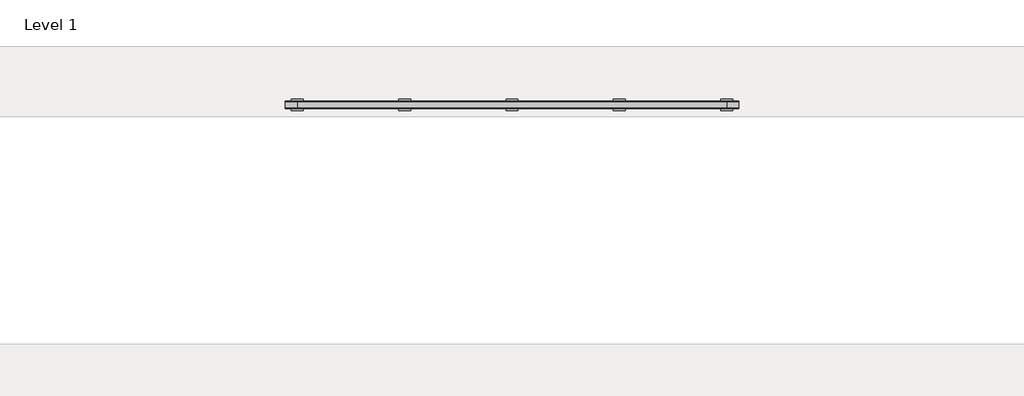
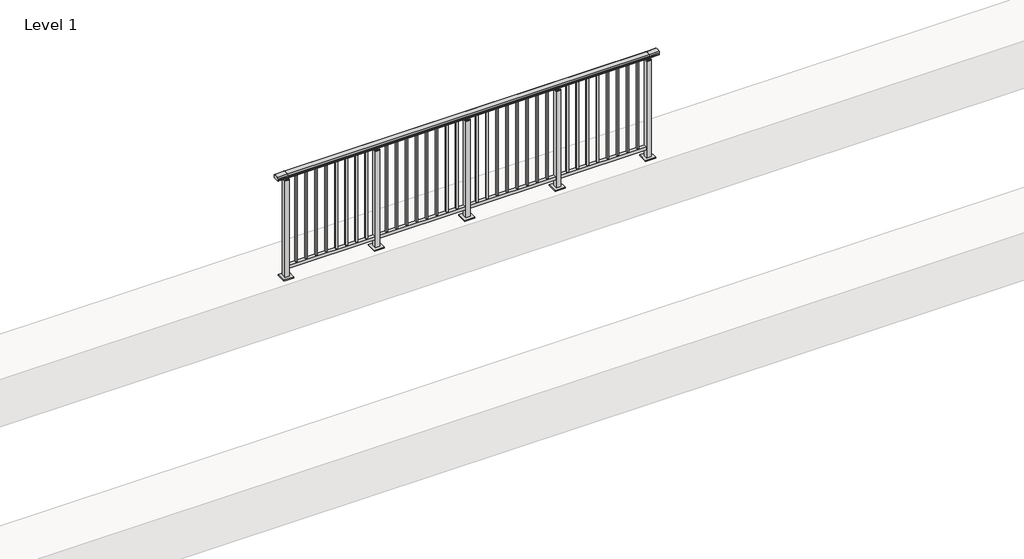
# One storey, part 31 of 64: 1 railing.
"""IFC4 building model written with IfcOpenShell, lengths in millimetres."""

import ifcopenshell
import ifcopenshell.guid

model = None  # the IFC model being written
_history = None  # IfcOwnerHistory: only IFC2X3 demands one
_inside = {}  # id of a spatial element -> (the spatial element, [elements in it])
_under = {}  # id of a project, library or spatial element -> (it, [spatial elements below it])
_declared = {}  # id of a project -> (the project, [libraries it declares])
_typed = {}  # id of a type object -> (the type object, [elements of that type])
_made_of = {}  # id of a material, layer set ... -> (it, [elements and type objects made of it])


def new_model(schema):
    """Start an empty IFC model of exactly this schema.

    Asked for "IFC4X3", IfcOpenShell would pick the latest addendum, in which some entities
    have other attributes; the version numbers below select the first issue.
    IFC2X3 requires an IfcOwnerHistory on every rooted entity: one is made here for all.
    """
    global model, _history
    if schema == "IFC4X3":
        model = ifcopenshell.file(schema_version=(4, 3, 0, 0))
    else:
        model = ifcopenshell.file(schema=schema)
    _inside.clear()
    _under.clear()
    _declared.clear()
    _typed.clear()
    _made_of.clear()
    _history = None
    if model.schema == "IFC2X3":
        org = make("IfcOrganization", Name="unknown")
        user = make(
            "IfcPersonAndOrganization",
            ThePerson=make("IfcPerson", FamilyName="unknown"),
            TheOrganization=org,
        )
        app = make(
            "IfcApplication",
            ApplicationDeveloper=org,
            Version="unknown",
            ApplicationFullName="unknown",
            ApplicationIdentifier="unknown",
        )
        _history = make(
            "IfcOwnerHistory",
            OwningUser=user,
            OwningApplication=app,
            ChangeAction="ADDED",
            CreationDate=0,
        )
    return model


def make(cls, **values):
    """One entity of the class cls with the attributes given. An attribute that is None is left unset."""
    return model.create_entity(
        cls, **{name: value for name, value in values.items() if value is not None}
    )


def rooted(cls, **values):
    """An entity with a GlobalId (a new one), such as an element, a storey or a relation."""
    return make(cls, GlobalId=ifcopenshell.guid.new(), OwnerHistory=_history, **values)


def si_unit(unit_type, name, prefix=None):
    """IfcSIUnit, for example si_unit("LENGTHUNIT", "METRE", prefix="MILLI")."""
    return make("IfcSIUnit", UnitType=unit_type, Prefix=prefix, Name=name)


def assignment(units):
    """IfcUnitAssignment: the units of a project."""
    return None if units is None else make("IfcUnitAssignment", Units=units)


def point(xyz):
    """IfcCartesianPoint."""
    return None if xyz is None else make("IfcCartesianPoint", Coordinates=xyz)


def direction(xyz):
    """IfcDirection."""
    return None if xyz is None else make("IfcDirection", DirectionRatios=xyz)


def frame(location, z_axis=None, x_axis=None):
    """IfcAxis2Placement3D, a coordinate frame: its origin and axes. An axis left out is left unset."""
    return make(
        "IfcAxis2Placement3D",
        Location=point(location),
        Axis=direction(z_axis),
        RefDirection=direction(x_axis),
    )


def origin():
    """The frame at (0, 0, 0) with its axes left unset."""
    return frame((0.0, 0.0, 0.0))


def origin_with_axes():
    """The frame at (0, 0, 0) with the z axis (0, 0, 1) and the x axis (1, 0, 0) written out."""
    return frame((0.0, 0.0, 0.0), z_axis=(0.0, 0.0, 1.0), x_axis=(1.0, 0.0, 0.0))


def place(relative_to, where):
    """IfcLocalPlacement: puts the frame where relative to a parent placement (None: the world)."""
    return make(
        "IfcLocalPlacement", PlacementRelTo=relative_to, RelativePlacement=where
    )


def context(
    kind, dimensions, precision=None, world=None, true_north=None, identifier=None
):
    """IfcGeometricRepresentationContext, for example the 3D "Model" context."""
    return make(
        "IfcGeometricRepresentationContext",
        ContextIdentifier=identifier,
        ContextType=kind,
        CoordinateSpaceDimension=dimensions,
        Precision=precision,
        WorldCoordinateSystem=world,
        TrueNorth=true_north,
    )


def project(units=None, contexts=None):
    """IfcProject with its units and contexts."""
    return rooted(
        "IfcProject",
        Name="project",
        RepresentationContexts=contexts,
        UnitsInContext=assignment(units),
    )


def spatial(cls, under=None, at=None, **own):
    """A site, building, storey or space (cls), placed at a placement, below another one or the project."""
    s = rooted(cls, ObjectPlacement=at, **own)
    if under is not None:
        _under.setdefault(under.id(), (under, []))[1].append(s)
    return s


def polyline(points):
    """IfcPolyline through the points."""
    return make("IfcPolyline", Points=[point(p) for p in points])


def circle_curve(where, radius):
    """IfcCircle in the frame where."""
    return make("IfcCircle", Position=where, Radius=radius)


def outline(outer, holes=None, kind="AREA"):
    """IfcArbitraryClosedProfileDef: a profile drawn as a closed curve; with holes, ...WithVoids."""
    if holes is None:
        return make("IfcArbitraryClosedProfileDef", ProfileType=kind, OuterCurve=outer)
    return make(
        "IfcArbitraryProfileDefWithVoids",
        ProfileType=kind,
        OuterCurve=outer,
        InnerCurves=holes,
    )


def extrude(swept, where, along, depth):
    """IfcExtrudedAreaSolid: the profile swept, set in the frame where, extruded along a direction by depth."""
    return make(
        "IfcExtrudedAreaSolid",
        SweptArea=swept,
        Position=where,
        ExtrudedDirection=direction(along),
        Depth=depth,
    )


def shape(context_of_items, identifier, shape_type, items):
    """IfcShapeRepresentation: the items that make up one representation, for example the "Body"."""
    return make(
        "IfcShapeRepresentation",
        ContextOfItems=context_of_items,
        RepresentationIdentifier=identifier,
        RepresentationType=shape_type,
        Items=items,
    )


def made_of(thing, what):
    """Note that an element or type object is made of a material, layer set ...; save() writes the relation."""
    if what is not None:
        _made_of.setdefault(what.id(), (what, []))[1].append(thing)
    return thing


def element(
    cls,
    number,
    at=None,
    inside=None,
    cuts=None,
    type_object=None,
    material=None,
    context=None,
    identifier="Body",
    shape_type=None,
    held_by="IfcProductDefinitionShape",
    body=None,
    shapes=None,
    **own,
):
    """One element of the class cls, such as IfcWall. Its Tag is "e" and its number.

    at: its placement. inside: the storey or other place that contains it. cuts: it is an
    opening in that element (IfcRelVoidsElement). A single representation is given by context,
    identifier, shape_type and body (its items); several are given by shapes. held_by: the class
    of the entity that holds the representations. save() writes the other relations.
    """
    e = rooted(cls, Tag="e%d" % number, ObjectPlacement=at, **own)
    if body is not None:
        shapes = [shape(context, identifier, shape_type, body)]
    if shapes is not None:
        e.Representation = make(held_by, Representations=shapes)
    if inside is not None:
        _inside.setdefault(inside.id(), (inside, []))[1].append(e)
    if cuts is not None:
        rooted(
            "IfcRelVoidsElement", RelatingBuildingElement=cuts, RelatedOpeningElement=e
        )
    if type_object is not None:
        _typed.setdefault(type_object.id(), (type_object, []))[1].append(e)
    return made_of(e, material)


def aggregate(whole, parts):
    """IfcRelAggregates: a whole, such as a stair, and the parts it consists of."""
    return rooted("IfcRelAggregates", RelatingObject=whole, RelatedObjects=parts)


def save(model, path):
    """Write the relations noted so far, then the file.

    IfcRelAggregates (storeys below a building ...), IfcRelContainedInSpatialStructure (elements
    in a storey), IfcRelDefinesByType, IfcRelAssociatesMaterial and IfcRelDeclares: one each for
    every whole, place, type object, material and project.
    """
    for whole, parts in _under.values():
        aggregate(whole, parts)
    for where, things in _inside.values():
        rooted(
            "IfcRelContainedInSpatialStructure",
            RelatedElements=things,
            RelatingStructure=where,
        )
    for kind, things in _typed.values():
        rooted("IfcRelDefinesByType", RelatedObjects=things, RelatingType=kind)
    for what, things in _made_of.values():
        rooted("IfcRelAssociatesMaterial", RelatedObjects=things, RelatingMaterial=what)
    for by, libraries in _declared.values():
        rooted("IfcRelDeclares", RelatingContext=by, RelatedDefinitions=libraries)
    model.write(path)


def plane_surface(at):
    """IfcPlane: the flat surface through the origin of the frame at, square to its z axis."""
    return make("IfcPlane", Position=at)


def cylinder_surface(at, radius):
    """IfcCylindricalSurface: all points at the distance radius from the z axis of the frame at."""
    return make("IfcCylindricalSurface", Position=at, Radius=radius)


def revolved_surface(curve, axis_point, axis_direction):
    """IfcSurfaceOfRevolution: the curve turned about the line through axis_point along axis_direction."""
    return make(
        "IfcSurfaceOfRevolution",
        SweptCurve=make("IfcArbitraryOpenProfileDef", ProfileType="CURVE", Curve=curve),
        AxisPosition=make("IfcAxis1Placement", Location=point(axis_point), Axis=direction(axis_direction)),
    )


def advanced_brep(points, edges, surfaces, faces):
    """IfcAdvancedBrep: a solid bounded by faces that lie on surfaces and meet in shared edges.

    An edge is (start, end): straight between two places in points (the first is 0);
    or (start, end, curve); or (start, end, curve, False) where it runs against its curve.
    A face is (place in surfaces, loops), or (place, loops, False) where it looks against
    its surface's normal. A loop lists edges by number (the first is 1), with a minus sign
    where the edge is run from its end to its start. The first loop is the outer one.
    """
    corners = [point(p) for p in points]
    vertices = [make("IfcVertexPoint", VertexGeometry=c) for c in corners]
    made = []
    for start, end, *more in edges:
        made.append(
            make(
                "IfcEdgeCurve",
                EdgeStart=vertices[start],
                EdgeEnd=vertices[end],
                EdgeGeometry=more[0] if more else make("IfcPolyline", Points=[corners[start], corners[end]]),
                SameSense=more[1] if len(more) > 1 else True,
            )
        )
    hull = []
    for where, loops, *sense in faces:
        bounds = []
        for j, loop in enumerate(loops):
            ring = [make("IfcOrientedEdge", EdgeElement=made[abs(k) - 1], Orientation=k > 0) for k in loop]
            bounds.append(
                make(
                    "IfcFaceOuterBound" if j == 0 else "IfcFaceBound",
                    Bound=make("IfcEdgeLoop", EdgeList=ring),
                    Orientation=True,
                )
            )
        hull.append(make("IfcAdvancedFace", Bounds=bounds, FaceSurface=surfaces[where], SameSense=sense[0] if sense else True))
    return make("IfcAdvancedBrep", Outer=make("IfcClosedShell", CfsFaces=hull))


model = new_model("IFC4")

# Units and contexts
model_context = context("Model", 3, world=origin())
ifc_project = project(units=[si_unit("LENGTHUNIT", "METRE", prefix="MILLI")], contexts=[model_context])

# Site, building, storey
site = spatial("IfcSite", under=ifc_project)
building = spatial("IfcBuilding", under=site)
storey = spatial("IfcBuildingStorey", under=building, Name="Level 1", Elevation=0.0)

# Railing
placement = place(None, origin())
element("IfcRailing", 1, at=placement, inside=storey, context=model_context, shape_type="SolidModel", body=[
    advanced_brep(
    [(6400.0, 22525.3633756, 1095.6691182), (6400.0, 22530.1846828, 1081.1334092), (6400.0, 22529.2413744, 1069.2539035), (6400.0, 22531.1364177, 1061.4863007), (6400.0, 22529.4894799, 1060.384124), (6400.0, 22529.4894799, 1062.0), (6400.0, 22470.8798858, 1062.0), (6400.0, 22470.8798858, 1060.384124), (6400.0, 22469.232948, 1061.4863007), (6400.0, 22471.1279912, 1069.2539035), (6400.0, 22470.1846828, 1081.1334092), (6400.0, 22475.00599, 1095.6691182), (10200.0, 22525.3633756, 1095.6691182), (10200.0, 22475.00599, 1095.6691182), (10200.0, 22470.1846828, 1081.1334092), (10200.0, 22471.1279912, 1069.2539035), (10200.0, 22469.232948, 1061.4863007), (10200.0, 22470.8798858, 1060.384124), (10200.0, 22470.8798858, 1062.0), (10200.0, 22529.4894799, 1062.0), (10200.0, 22529.4894799, 1060.384124), (10200.0, 22531.1364177, 1061.4863007), (10200.0, 22529.2413744, 1069.2539035), (10200.0, 22530.1846828, 1081.1334092), (6500.0, 22525.3633756, 1095.6691182), (6500.0, 22530.1846828, 1081.1334092), (6500.0, 22529.2413744, 1069.2539035), (6500.0, 22531.1364177, 1061.4863007), (6500.0, 22529.4894799, 1060.384124), (6500.0, 22529.4894799, 1062.0), (6500.0, 22470.8798858, 1062.0), (6500.0, 22470.8798858, 1060.384124), (6500.0, 22469.232948, 1061.4863007), (6500.0, 22471.1279912, 1069.2539035), (6500.0, 22470.1846828, 1081.1334092), (6500.0, 22475.00599, 1095.6691182), (10100.0, 22525.3633756, 1095.6691182), (10100.0, 22530.1846828, 1081.1334092), (10100.0, 22529.2413744, 1069.2539035), (10100.0, 22531.1364177, 1061.4863007), (10100.0, 22529.4894799, 1060.384124), (10100.0, 22529.4894799, 1062.0), (10100.0, 22470.8798858, 1062.0), (10100.0, 22470.8798858, 1060.384124), (10100.0, 22469.232948, 1061.4863007), (10100.0, 22471.1279912, 1069.2539035), (10100.0, 22470.1846828, 1081.1334092), (10100.0, 22475.00599, 1095.6691182)],
    [
        (0, 1, circle_curve(frame((6400.0, 22522.1223845, 1086.526686), z_axis=(-1.0, 0.0, 0.0), x_axis=(0.0, -1.0, 0.0)), 9.6999015)),
        (1, 2, circle_curve(frame((6400.0, 22547.7252545, 1073.7633709), z_axis=(1.0, 0.0, 0.0), x_axis=(0.0, -1.0, 0.0)), 19.0260117)),
        (2, 3),
        (3, 4, circle_curve(frame((6400.0, 22530.2772073, 1060.9886194), z_axis=(-1.0, 0.0, 0.0), x_axis=(0.0, -1.0, 0.0)), 0.9929396)),
        (4, 5),
        (5, 6),
        (6, 7),
        (7, 8, circle_curve(frame((6400.0, 22470.0921584, 1060.9886194), z_axis=(-1.0, 0.0, 0.0), x_axis=(0.0, 1.0, 0.0)), 0.9929396)),
        (8, 9),
        (9, 10, circle_curve(frame((6400.0, 22452.6441111, 1073.7633709), z_axis=(1.0, 0.0, 0.0), x_axis=(0.0, 1.0, 0.0)), 19.0260117)),
        (10, 11, circle_curve(frame((6400.0, 22478.2469812, 1086.526686), z_axis=(-1.0, 0.0, 0.0), x_axis=(0.0, 1.0, 0.0)), 9.6999015)),
        (11, 0, circle_curve(frame((6400.0, 22500.1846828, 1024.6431628), z_axis=(-1.0, 0.0, 0.0), x_axis=(0.0, 1.0, 0.0)), 75.3568372)),
        (12, 13, circle_curve(frame((10200.0, 22500.1846828, 1024.6431628), z_axis=(1.0, 0.0, 0.0), x_axis=(0.0, 1.0, 0.0)), 75.3568372)),
        (13, 14, circle_curve(frame((10200.0, 22478.2469812, 1086.526686), z_axis=(1.0, 0.0, 0.0), x_axis=(0.0, 1.0, 0.0)), 9.6999015)),
        (14, 15, circle_curve(frame((10200.0, 22452.6441111, 1073.7633709), z_axis=(-1.0, 0.0, 0.0), x_axis=(0.0, 1.0, 0.0)), 19.0260117)),
        (15, 16),
        (16, 17, circle_curve(frame((10200.0, 22470.0921584, 1060.9886194), z_axis=(1.0, 0.0, 0.0), x_axis=(0.0, 1.0, 0.0)), 0.9929396)),
        (17, 18),
        (18, 19),
        (19, 20),
        (20, 21, circle_curve(frame((10200.0, 22530.2772073, 1060.9886194), z_axis=(1.0, 0.0, 0.0), x_axis=(0.0, -1.0, 0.0)), 0.9929396)),
        (21, 22),
        (22, 23, circle_curve(frame((10200.0, 22547.7252545, 1073.7633709), z_axis=(-1.0, 0.0, 0.0), x_axis=(0.0, -1.0, 0.0)), 19.0260117)),
        (23, 12, circle_curve(frame((10200.0, 22522.1223845, 1086.526686), z_axis=(1.0, 0.0, 0.0), x_axis=(0.0, -1.0, 0.0)), 9.6999015)),
        (0, 24),
        (24, 25, circle_curve(frame((6500.0, 22522.1223845, 1086.526686), z_axis=(-1.0, 0.0, 0.0), x_axis=(0.0, -1.0, 0.0)), 9.6999015)),
        (25, 1),
        (25, 26, circle_curve(frame((6500.0, 22547.7252545, 1073.7633709), z_axis=(1.0, 0.0, 0.0), x_axis=(0.0, -1.0, 0.0)), 19.0260117)),
        (26, 2),
        (26, 27),
        (27, 3),
        (27, 28, circle_curve(frame((6500.0, 22530.2772073, 1060.9886194), z_axis=(-1.0, 0.0, 0.0), x_axis=(0.0, -1.0, 0.0)), 0.9929396)),
        (28, 4),
        (28, 29),
        (29, 5),
        (29, 30),
        (30, 6),
        (30, 31),
        (31, 7),
        (31, 32, circle_curve(frame((6500.0, 22470.0921584, 1060.9886194), z_axis=(-1.0, 0.0, 0.0), x_axis=(0.0, 1.0, 0.0)), 0.9929396)),
        (32, 8),
        (32, 33),
        (33, 9),
        (33, 34, circle_curve(frame((6500.0, 22452.6441111, 1073.7633709), z_axis=(1.0, 0.0, 0.0), x_axis=(0.0, 1.0, 0.0)), 19.0260117)),
        (34, 10),
        (34, 35, circle_curve(frame((6500.0, 22478.2469812, 1086.526686), z_axis=(-1.0, 0.0, 0.0), x_axis=(0.0, 1.0, 0.0)), 9.6999015)),
        (35, 11),
        (35, 24, circle_curve(frame((6500.0, 22500.1846828, 1024.6431628), z_axis=(-1.0, 0.0, 0.0), x_axis=(0.0, 1.0, 0.0)), 75.3568372)),
        (24, 36),
        (36, 37, circle_curve(frame((10100.0, 22522.1223845, 1086.526686), z_axis=(-1.0, 0.0, 0.0), x_axis=(0.0, -1.0, 0.0)), 9.6999015)),
        (37, 25),
        (37, 38, circle_curve(frame((10100.0, 22547.7252545, 1073.7633709), z_axis=(1.0, 0.0, 0.0), x_axis=(0.0, -1.0, 0.0)), 19.0260117)),
        (38, 26),
        (38, 39),
        (39, 27),
        (39, 40, circle_curve(frame((10100.0, 22530.2772073, 1060.9886194), z_axis=(-1.0, 0.0, 0.0), x_axis=(0.0, -1.0, 0.0)), 0.9929396)),
        (40, 28),
        (40, 41),
        (41, 29),
        (41, 42),
        (42, 30),
        (42, 43),
        (43, 31),
        (43, 44, circle_curve(frame((10100.0, 22470.0921584, 1060.9886194), z_axis=(-1.0, 0.0, 0.0), x_axis=(0.0, 1.0, 0.0)), 0.9929396)),
        (44, 32),
        (44, 45),
        (45, 33),
        (45, 46, circle_curve(frame((10100.0, 22452.6441111, 1073.7633709), z_axis=(1.0, 0.0, 0.0), x_axis=(0.0, 1.0, 0.0)), 19.0260117)),
        (46, 34),
        (46, 47, circle_curve(frame((10100.0, 22478.2469812, 1086.526686), z_axis=(-1.0, 0.0, 0.0), x_axis=(0.0, 1.0, 0.0)), 9.6999015)),
        (47, 35),
        (47, 36, circle_curve(frame((10100.0, 22500.1846828, 1024.6431628), z_axis=(-1.0, 0.0, 0.0), x_axis=(0.0, 1.0, 0.0)), 75.3568372)),
        (36, 12),
        (23, 37),
        (22, 38),
        (21, 39),
        (20, 40),
        (19, 41),
        (18, 42),
        (17, 43),
        (16, 44),
        (15, 45),
        (14, 46),
        (13, 47),
    ],
    [
        plane_surface(frame((6400.0, 22500.1846828, 1100.0), z_axis=(-1.0, 0.0, 0.0), x_axis=(0.0, 1.0, 0.0))),
        plane_surface(frame((10200.0, 22500.1846828, 1100.0), z_axis=(1.0, 0.0, 0.0), x_axis=(0.0, 1.0, 0.0))),
        cylinder_surface(frame((6400.0, 22522.1223845, 1086.526686), z_axis=(-1.0, 0.0, 0.0), x_axis=(0.0, -1.0, 0.0)), 9.6999015),
        revolved_surface(polyline([(6500.0, 22528.6992428, 1073.7633709), (6400.0, 22528.6992428, 1073.7633709)]), (6400.0, 22547.7252545, 1073.7633709), (1.0, 0.0, 0.0)),
        plane_surface(frame((6400.0, 22529.2413744, 1069.2539035), z_axis=(0.0, 0.9715057689301543, 0.2370159086125439), x_axis=(1.0, 0.0, 0.0))),
        cylinder_surface(frame((6400.0, 22530.2772073, 1060.9886194), z_axis=(-1.0, 0.0, 0.0), x_axis=(0.0, -1.0, 0.0)), 0.9929396),
        plane_surface(frame((6400.0, 22529.4894799, 1060.384124), z_axis=(0.0, -1.0, 0.0), x_axis=(1.0, 0.0, 0.0))),
        plane_surface(frame((6400.0, 22529.4894799, 1062.0), z_axis=(0.0, 0.0, -1.0), x_axis=(1.0, 0.0, 0.0))),
        plane_surface(frame((6400.0, 22470.8798858, 1062.0), z_axis=(0.0, 1.0, 0.0), x_axis=(1.0, 0.0, 0.0))),
        cylinder_surface(frame((6400.0, 22470.0921584, 1060.9886194), z_axis=(-1.0, 0.0, 0.0), x_axis=(0.0, 1.0, 0.0)), 0.9929396),
        plane_surface(frame((6400.0, 22469.232948, 1061.4863007), z_axis=(0.0, -0.9715057689301543, 0.2370159086125439), x_axis=(1.0, 0.0, 0.0))),
        revolved_surface(polyline([(6500.0, 22471.6701228, 1073.7633709), (6400.0, 22471.6701228, 1073.7633709)]), (6400.0, 22452.6441111, 1073.7633709), (1.0, 0.0, 0.0)),
        cylinder_surface(frame((6400.0, 22478.2469812, 1086.526686), z_axis=(-1.0, 0.0, 0.0), x_axis=(0.0, 1.0, 0.0)), 9.6999015),
        cylinder_surface(frame((6400.0, 22500.1846828, 1024.6431628), z_axis=(-1.0, 0.0, 0.0), x_axis=(0.0, 1.0, 0.0)), 75.3568372),
        cylinder_surface(frame((6500.0, 22522.1223845, 1086.526686), z_axis=(-1.0, 0.0, 0.0), x_axis=(0.0, -1.0, 0.0)), 9.6999015),
        revolved_surface(polyline([(10100.0, 22528.6992428, 1073.7633709), (6500.0, 22528.6992428, 1073.7633709)]), (6500.0, 22547.7252545, 1073.7633709), (1.0, 0.0, 0.0)),
        plane_surface(frame((6500.0, 22529.2413744, 1069.2539035), z_axis=(0.0, 0.9715057689301543, 0.2370159086125439), x_axis=(1.0, 0.0, 0.0))),
        cylinder_surface(frame((6500.0, 22530.2772073, 1060.9886194), z_axis=(-1.0, 0.0, 0.0), x_axis=(0.0, -1.0, 0.0)), 0.9929396),
        plane_surface(frame((6500.0, 22529.4894799, 1060.384124), z_axis=(0.0, -1.0, 0.0), x_axis=(1.0, 0.0, 0.0))),
        plane_surface(frame((6500.0, 22529.4894799, 1062.0), z_axis=(0.0, 0.0, -1.0), x_axis=(1.0, 0.0, 0.0))),
        plane_surface(frame((6500.0, 22470.8798858, 1062.0), z_axis=(0.0, 1.0, 0.0), x_axis=(1.0, 0.0, 0.0))),
        cylinder_surface(frame((6500.0, 22470.0921584, 1060.9886194), z_axis=(-1.0, 0.0, 0.0), x_axis=(0.0, 1.0, 0.0)), 0.9929396),
        plane_surface(frame((6500.0, 22469.232948, 1061.4863007), z_axis=(0.0, -0.9715057689301543, 0.2370159086125439), x_axis=(1.0, 0.0, 0.0))),
        revolved_surface(polyline([(10100.0, 22471.6701228, 1073.7633709), (6500.0, 22471.6701228, 1073.7633709)]), (6500.0, 22452.6441111, 1073.7633709), (1.0, 0.0, 0.0)),
        cylinder_surface(frame((6500.0, 22478.2469812, 1086.526686), z_axis=(-1.0, 0.0, 0.0), x_axis=(0.0, 1.0, 0.0)), 9.6999015),
        cylinder_surface(frame((6500.0, 22500.1846828, 1024.6431628), z_axis=(-1.0, 0.0, 0.0), x_axis=(0.0, 1.0, 0.0)), 75.3568372),
        cylinder_surface(frame((10100.0, 22522.1223845, 1086.526686), z_axis=(-1.0, 0.0, 0.0), x_axis=(0.0, -1.0, 0.0)), 9.6999015),
        revolved_surface(polyline([(10200.0, 22528.6992428, 1073.7633709), (10100.0, 22528.6992428, 1073.7633709)]), (10100.0, 22547.7252545, 1073.7633709), (1.0, 0.0, 0.0)),
        plane_surface(frame((10100.0, 22529.2413744, 1069.2539035), z_axis=(0.0, 0.9715057689301543, 0.2370159086125439), x_axis=(1.0, 0.0, 0.0))),
        cylinder_surface(frame((10100.0, 22530.2772073, 1060.9886194), z_axis=(-1.0, 0.0, 0.0), x_axis=(0.0, -1.0, 0.0)), 0.9929396),
        plane_surface(frame((10100.0, 22529.4894799, 1060.384124), z_axis=(0.0, -1.0, 0.0), x_axis=(1.0, 0.0, 0.0))),
        plane_surface(frame((10100.0, 22529.4894799, 1062.0), z_axis=(0.0, 0.0, -1.0), x_axis=(1.0, 0.0, 0.0))),
        plane_surface(frame((10100.0, 22470.8798858, 1062.0), z_axis=(0.0, 1.0, 0.0), x_axis=(1.0, 0.0, 0.0))),
        cylinder_surface(frame((10100.0, 22470.0921584, 1060.9886194), z_axis=(-1.0, 0.0, 0.0), x_axis=(0.0, 1.0, 0.0)), 0.9929396),
        plane_surface(frame((10100.0, 22469.232948, 1061.4863007), z_axis=(0.0, -0.9715057689301543, 0.2370159086125439), x_axis=(1.0, 0.0, 0.0))),
        revolved_surface(polyline([(10200.0, 22471.6701228, 1073.7633709), (10100.0, 22471.6701228, 1073.7633709)]), (10100.0, 22452.6441111, 1073.7633709), (1.0, 0.0, 0.0)),
        cylinder_surface(frame((10100.0, 22478.2469812, 1086.526686), z_axis=(-1.0, 0.0, 0.0), x_axis=(0.0, 1.0, 0.0)), 9.6999015),
        cylinder_surface(frame((10100.0, 22500.1846828, 1024.6431628), z_axis=(-1.0, 0.0, 0.0), x_axis=(0.0, 1.0, 0.0)), 75.3568372),
    ],
    [
        (0, [[1, 2, 3, 4, 5, 6, 7, 8, 9, 10, 11, 12]]),
        (1, [[13, 14, 15, 16, 17, 18, 19, 20, 21, 22, 23, 24]]),
        (2, [[-1, 25, 26, 27]]),
        (3, [[-2, -27, 28, 29]]),
        (4, [[-3, -29, 30, 31]]),
        (5, [[-4, -31, 32, 33]]),
        (6, [[-5, -33, 34, 35]]),
        (7, [[-6, -35, 36, 37]]),
        (8, [[-7, -37, 38, 39]]),
        (9, [[-8, -39, 40, 41]]),
        (10, [[-9, -41, 42, 43]]),
        (11, [[-10, -43, 44, 45]]),
        (12, [[-11, -45, 46, 47]]),
        (13, [[-12, -47, 48, -25]]),
        (14, [[-26, 49, 50, 51]]),
        (15, [[-28, -51, 52, 53]]),
        (16, [[-30, -53, 54, 55]]),
        (17, [[-32, -55, 56, 57]]),
        (18, [[-34, -57, 58, 59]]),
        (19, [[-36, -59, 60, 61]]),
        (20, [[-38, -61, 62, 63]]),
        (21, [[-40, -63, 64, 65]]),
        (22, [[-42, -65, 66, 67]]),
        (23, [[-44, -67, 68, 69]]),
        (24, [[-46, -69, 70, 71]]),
        (25, [[-48, -71, 72, -49]]),
        (26, [[-50, 73, -24, 74]]),
        (27, [[-52, -74, -23, 75]]),
        (28, [[-54, -75, -22, 76]]),
        (29, [[-56, -76, -21, 77]]),
        (30, [[-58, -77, -20, 78]]),
        (31, [[-60, -78, -19, 79]]),
        (32, [[-62, -79, -18, 80]]),
        (33, [[-64, -80, -17, 81]]),
        (34, [[-66, -81, -16, 82]]),
        (35, [[-68, -82, -15, 83]]),
        (36, [[-70, -83, -14, 84]]),
        (37, [[-72, -84, -13, -73]]),
    ],
),
    extrude(outline(polyline([(6500.0, 22482.6846828), (6500.0, 22517.6846828), (10100.0, 22517.6846828), (10100.0, 22482.6846828), (6500.0, 22482.6846828)])), frame((0.0, 0.0, 95.0), z_axis=(0.0, 0.0, 1.0), x_axis=(1.0, 0.0, 0.0)), (0.0, 0.0, 1.0), 30.0),
    extrude(outline(polyline([(10008.5, 22508.6846828), (10008.5, 22491.6846828), (9991.5, 22491.6846828), (9991.5, 22508.6846828), (10008.5, 22508.6846828)])), frame((0.0, 0.0, 125.0), z_axis=(0.0, 0.0, 1.0), x_axis=(1.0, 0.0, 0.0)), (0.0, 0.0, 1.0), 930.0),
    extrude(outline(polyline([(9908.5, 22508.6846828), (9908.5, 22491.6846828), (9891.5, 22491.6846828), (9891.5, 22508.6846828), (9908.5, 22508.6846828)])), frame((0.0, 0.0, 125.0), z_axis=(0.0, 0.0, 1.0), x_axis=(1.0, 0.0, 0.0)), (0.0, 0.0, 1.0), 930.0),
    extrude(outline(polyline([(9808.5, 22508.6846828), (9808.5, 22491.6846828), (9791.5, 22491.6846828), (9791.5, 22508.6846828), (9808.5, 22508.6846828)])), frame((0.0, 0.0, 125.0), z_axis=(0.0, 0.0, 1.0), x_axis=(1.0, 0.0, 0.0)), (0.0, 0.0, 1.0), 930.0),
    extrude(outline(polyline([(9708.5, 22508.6846828), (9708.5, 22491.6846828), (9691.5, 22491.6846828), (9691.5, 22508.6846828), (9708.5, 22508.6846828)])), frame((0.0, 0.0, 125.0), z_axis=(0.0, 0.0, 1.0), x_axis=(1.0, 0.0, 0.0)), (0.0, 0.0, 1.0), 930.0),
    extrude(outline(polyline([(9608.5, 22508.6846828), (9608.5, 22491.6846828), (9591.5, 22491.6846828), (9591.5, 22508.6846828), (9608.5, 22508.6846828)])), frame((0.0, 0.0, 125.0), z_axis=(0.0, 0.0, 1.0), x_axis=(1.0, 0.0, 0.0)), (0.0, 0.0, 1.0), 930.0),
    extrude(outline(polyline([(9508.5, 22508.6846828), (9508.5, 22491.6846828), (9491.5, 22491.6846828), (9491.5, 22508.6846828), (9508.5, 22508.6846828)])), frame((0.0, 0.0, 125.0), z_axis=(0.0, 0.0, 1.0), x_axis=(1.0, 0.0, 0.0)), (0.0, 0.0, 1.0), 930.0),
    extrude(outline(polyline([(9408.5, 22508.6846828), (9408.5, 22491.6846828), (9391.5, 22491.6846828), (9391.5, 22508.6846828), (9408.5, 22508.6846828)])), frame((0.0, 0.0, 125.0), z_axis=(0.0, 0.0, 1.0), x_axis=(1.0, 0.0, 0.0)), (0.0, 0.0, 1.0), 930.0),
    extrude(outline(polyline([(9308.5, 22508.6846828), (9308.5, 22491.6846828), (9291.5, 22491.6846828), (9291.5, 22508.6846828), (9308.5, 22508.6846828)])), frame((0.0, 0.0, 125.0), z_axis=(0.0, 0.0, 1.0), x_axis=(1.0, 0.0, 0.0)), (0.0, 0.0, 1.0), 930.0),
    extrude(outline(polyline([(9210.0, 22490.1846828), (9190.0, 22490.1846828), (9190.0, 22510.1846828), (9210.0, 22510.1846828), (9210.0, 22490.1846828)])), frame((0.0, 0.0, 1035.0), z_axis=(0.0, 0.0, 1.0), x_axis=(1.0, 0.0, 0.0)), (0.0, 0.0, 1.0), 20.0),
    extrude(outline(polyline([(9222.5, 22477.6846828), (9177.5, 22477.6846828), (9177.5, 22522.6846828), (9222.5, 22522.6846828), (9222.5, 22477.6846828)])), frame((0.0, 0.0, 1027.0), z_axis=(0.0, 0.0, 1.0), x_axis=(1.0, 0.0, 0.0)), (0.0, 0.0, 1.0), 8.0),
    extrude(outline(polyline([(9250.0, 22450.1846828), (9150.0, 22450.1846828), (9150.0, 22550.1846828), (9250.0, 22550.1846828), (9250.0, 22450.1846828)])), origin_with_axes(), (0.0, 0.0, 1.0), 12.0),
    extrude(outline(polyline([(9222.5, 22477.6846828), (9177.5, 22477.6846828), (9177.5, 22522.6846828), (9222.5, 22522.6846828), (9222.5, 22477.6846828)])), frame((0.0, 0.0, 12.0), z_axis=(0.0, 0.0, 1.0), x_axis=(1.0, 0.0, 0.0)), (0.0, 0.0, 1.0), 1015.0),
    extrude(outline(polyline([(9108.5, 22508.6846828), (9108.5, 22491.6846828), (9091.5, 22491.6846828), (9091.5, 22508.6846828), (9108.5, 22508.6846828)])), frame((0.0, 0.0, 125.0), z_axis=(0.0, 0.0, 1.0), x_axis=(1.0, 0.0, 0.0)), (0.0, 0.0, 1.0), 930.0),
    extrude(outline(polyline([(9008.5, 22508.6846828), (9008.5, 22491.6846828), (8991.5, 22491.6846828), (8991.5, 22508.6846828), (9008.5, 22508.6846828)])), frame((0.0, 0.0, 125.0), z_axis=(0.0, 0.0, 1.0), x_axis=(1.0, 0.0, 0.0)), (0.0, 0.0, 1.0), 930.0),
    extrude(outline(polyline([(8908.5, 22508.6846828), (8908.5, 22491.6846828), (8891.5, 22491.6846828), (8891.5, 22508.6846828), (8908.5, 22508.6846828)])), frame((0.0, 0.0, 125.0), z_axis=(0.0, 0.0, 1.0), x_axis=(1.0, 0.0, 0.0)), (0.0, 0.0, 1.0), 930.0),
    extrude(outline(polyline([(8808.5, 22508.6846828), (8808.5, 22491.6846828), (8791.5, 22491.6846828), (8791.5, 22508.6846828), (8808.5, 22508.6846828)])), frame((0.0, 0.0, 125.0), z_axis=(0.0, 0.0, 1.0), x_axis=(1.0, 0.0, 0.0)), (0.0, 0.0, 1.0), 930.0),
    extrude(outline(polyline([(8708.5, 22508.6846828), (8708.5, 22491.6846828), (8691.5, 22491.6846828), (8691.5, 22508.6846828), (8708.5, 22508.6846828)])), frame((0.0, 0.0, 125.0), z_axis=(0.0, 0.0, 1.0), x_axis=(1.0, 0.0, 0.0)), (0.0, 0.0, 1.0), 930.0),
    extrude(outline(polyline([(8608.5, 22508.6846828), (8608.5, 22491.6846828), (8591.5, 22491.6846828), (8591.5, 22508.6846828), (8608.5, 22508.6846828)])), frame((0.0, 0.0, 125.0), z_axis=(0.0, 0.0, 1.0), x_axis=(1.0, 0.0, 0.0)), (0.0, 0.0, 1.0), 930.0),
    extrude(outline(polyline([(8508.5, 22508.6846828), (8508.5, 22491.6846828), (8491.5, 22491.6846828), (8491.5, 22508.6846828), (8508.5, 22508.6846828)])), frame((0.0, 0.0, 125.0), z_axis=(0.0, 0.0, 1.0), x_axis=(1.0, 0.0, 0.0)), (0.0, 0.0, 1.0), 930.0),
    extrude(outline(polyline([(8408.5, 22508.6846828), (8408.5, 22491.6846828), (8391.5, 22491.6846828), (8391.5, 22508.6846828), (8408.5, 22508.6846828)])), frame((0.0, 0.0, 125.0), z_axis=(0.0, 0.0, 1.0), x_axis=(1.0, 0.0, 0.0)), (0.0, 0.0, 1.0), 930.0),
    extrude(outline(polyline([(8310.0, 22490.1846828), (8290.0, 22490.1846828), (8290.0, 22510.1846828), (8310.0, 22510.1846828), (8310.0, 22490.1846828)])), frame((0.0, 0.0, 1035.0), z_axis=(0.0, 0.0, 1.0), x_axis=(1.0, 0.0, 0.0)), (0.0, 0.0, 1.0), 20.0),
    extrude(outline(polyline([(8322.5, 22477.6846828), (8277.5, 22477.6846828), (8277.5, 22522.6846828), (8322.5, 22522.6846828), (8322.5, 22477.6846828)])), frame((0.0, 0.0, 1027.0), z_axis=(0.0, 0.0, 1.0), x_axis=(1.0, 0.0, 0.0)), (0.0, 0.0, 1.0), 8.0),
    extrude(outline(polyline([(8350.0, 22450.1846828), (8250.0, 22450.1846828), (8250.0, 22550.1846828), (8350.0, 22550.1846828), (8350.0, 22450.1846828)])), origin_with_axes(), (0.0, 0.0, 1.0), 12.0),
    extrude(outline(polyline([(8322.5, 22477.6846828), (8277.5, 22477.6846828), (8277.5, 22522.6846828), (8322.5, 22522.6846828), (8322.5, 22477.6846828)])), frame((0.0, 0.0, 12.0), z_axis=(0.0, 0.0, 1.0), x_axis=(1.0, 0.0, 0.0)), (0.0, 0.0, 1.0), 1015.0),
    extrude(outline(polyline([(8208.5, 22508.6846828), (8208.5, 22491.6846828), (8191.5, 22491.6846828), (8191.5, 22508.6846828), (8208.5, 22508.6846828)])), frame((0.0, 0.0, 125.0), z_axis=(0.0, 0.0, 1.0), x_axis=(1.0, 0.0, 0.0)), (0.0, 0.0, 1.0), 930.0),
    extrude(outline(polyline([(8108.5, 22508.6846828), (8108.5, 22491.6846828), (8091.5, 22491.6846828), (8091.5, 22508.6846828), (8108.5, 22508.6846828)])), frame((0.0, 0.0, 125.0), z_axis=(0.0, 0.0, 1.0), x_axis=(1.0, 0.0, 0.0)), (0.0, 0.0, 1.0), 930.0),
    extrude(outline(polyline([(8008.5, 22508.6846828), (8008.5, 22491.6846828), (7991.5, 22491.6846828), (7991.5, 22508.6846828), (8008.5, 22508.6846828)])), frame((0.0, 0.0, 125.0), z_axis=(0.0, 0.0, 1.0), x_axis=(1.0, 0.0, 0.0)), (0.0, 0.0, 1.0), 930.0),
    extrude(outline(polyline([(7908.5, 22508.6846828), (7908.5, 22491.6846828), (7891.5, 22491.6846828), (7891.5, 22508.6846828), (7908.5, 22508.6846828)])), frame((0.0, 0.0, 125.0), z_axis=(0.0, 0.0, 1.0), x_axis=(1.0, 0.0, 0.0)), (0.0, 0.0, 1.0), 930.0),
    extrude(outline(polyline([(7808.5, 22508.6846828), (7808.5, 22491.6846828), (7791.5, 22491.6846828), (7791.5, 22508.6846828), (7808.5, 22508.6846828)])), frame((0.0, 0.0, 125.0), z_axis=(0.0, 0.0, 1.0), x_axis=(1.0, 0.0, 0.0)), (0.0, 0.0, 1.0), 930.0),
    extrude(outline(polyline([(7708.5, 22508.6846828), (7708.5, 22491.6846828), (7691.5, 22491.6846828), (7691.5, 22508.6846828), (7708.5, 22508.6846828)])), frame((0.0, 0.0, 125.0), z_axis=(0.0, 0.0, 1.0), x_axis=(1.0, 0.0, 0.0)), (0.0, 0.0, 1.0), 930.0),
    extrude(outline(polyline([(7608.5, 22508.6846828), (7608.5, 22491.6846828), (7591.5, 22491.6846828), (7591.5, 22508.6846828), (7608.5, 22508.6846828)])), frame((0.0, 0.0, 125.0), z_axis=(0.0, 0.0, 1.0), x_axis=(1.0, 0.0, 0.0)), (0.0, 0.0, 1.0), 930.0),
    extrude(outline(polyline([(7508.5, 22508.6846828), (7508.5, 22491.6846828), (7491.5, 22491.6846828), (7491.5, 22508.6846828), (7508.5, 22508.6846828)])), frame((0.0, 0.0, 125.0), z_axis=(0.0, 0.0, 1.0), x_axis=(1.0, 0.0, 0.0)), (0.0, 0.0, 1.0), 930.0),
    extrude(outline(polyline([(7410.0, 22490.1846828), (7390.0, 22490.1846828), (7390.0, 22510.1846828), (7410.0, 22510.1846828), (7410.0, 22490.1846828)])), frame((0.0, 0.0, 1035.0), z_axis=(0.0, 0.0, 1.0), x_axis=(1.0, 0.0, 0.0)), (0.0, 0.0, 1.0), 20.0),
    extrude(outline(polyline([(7422.5, 22477.6846828), (7377.5, 22477.6846828), (7377.5, 22522.6846828), (7422.5, 22522.6846828), (7422.5, 22477.6846828)])), frame((0.0, 0.0, 1027.0), z_axis=(0.0, 0.0, 1.0), x_axis=(1.0, 0.0, 0.0)), (0.0, 0.0, 1.0), 8.0),
    extrude(outline(polyline([(7450.0, 22450.1846828), (7350.0, 22450.1846828), (7350.0, 22550.1846828), (7450.0, 22550.1846828), (7450.0, 22450.1846828)])), origin_with_axes(), (0.0, 0.0, 1.0), 12.0),
    extrude(outline(polyline([(7422.5, 22477.6846828), (7377.5, 22477.6846828), (7377.5, 22522.6846828), (7422.5, 22522.6846828), (7422.5, 22477.6846828)])), frame((0.0, 0.0, 12.0), z_axis=(0.0, 0.0, 1.0), x_axis=(1.0, 0.0, 0.0)), (0.0, 0.0, 1.0), 1015.0),
    extrude(outline(polyline([(7308.5, 22508.6846828), (7308.5, 22491.6846828), (7291.5, 22491.6846828), (7291.5, 22508.6846828), (7308.5, 22508.6846828)])), frame((0.0, 0.0, 125.0), z_axis=(0.0, 0.0, 1.0), x_axis=(1.0, 0.0, 0.0)), (0.0, 0.0, 1.0), 930.0),
    extrude(outline(polyline([(7208.5, 22508.6846828), (7208.5, 22491.6846828), (7191.5, 22491.6846828), (7191.5, 22508.6846828), (7208.5, 22508.6846828)])), frame((0.0, 0.0, 125.0), z_axis=(0.0, 0.0, 1.0), x_axis=(1.0, 0.0, 0.0)), (0.0, 0.0, 1.0), 930.0),
    extrude(outline(polyline([(7108.5, 22508.6846828), (7108.5, 22491.6846828), (7091.5, 22491.6846828), (7091.5, 22508.6846828), (7108.5, 22508.6846828)])), frame((0.0, 0.0, 125.0), z_axis=(0.0, 0.0, 1.0), x_axis=(1.0, 0.0, 0.0)), (0.0, 0.0, 1.0), 930.0),
    extrude(outline(polyline([(7008.5, 22508.6846828), (7008.5, 22491.6846828), (6991.5, 22491.6846828), (6991.5, 22508.6846828), (7008.5, 22508.6846828)])), frame((0.0, 0.0, 125.0), z_axis=(0.0, 0.0, 1.0), x_axis=(1.0, 0.0, 0.0)), (0.0, 0.0, 1.0), 930.0),
    extrude(outline(polyline([(6908.5, 22508.6846828), (6908.5, 22491.6846828), (6891.5, 22491.6846828), (6891.5, 22508.6846828), (6908.5, 22508.6846828)])), frame((0.0, 0.0, 125.0), z_axis=(0.0, 0.0, 1.0), x_axis=(1.0, 0.0, 0.0)), (0.0, 0.0, 1.0), 930.0),
    extrude(outline(polyline([(6808.5, 22508.6846828), (6808.5, 22491.6846828), (6791.5, 22491.6846828), (6791.5, 22508.6846828), (6808.5, 22508.6846828)])), frame((0.0, 0.0, 125.0), z_axis=(0.0, 0.0, 1.0), x_axis=(1.0, 0.0, 0.0)), (0.0, 0.0, 1.0), 930.0),
    extrude(outline(polyline([(6708.5, 22508.6846828), (6708.5, 22491.6846828), (6691.5, 22491.6846828), (6691.5, 22508.6846828), (6708.5, 22508.6846828)])), frame((0.0, 0.0, 125.0), z_axis=(0.0, 0.0, 1.0), x_axis=(1.0, 0.0, 0.0)), (0.0, 0.0, 1.0), 930.0),
    extrude(outline(polyline([(6608.5, 22508.6846828), (6608.5, 22491.6846828), (6591.5, 22491.6846828), (6591.5, 22508.6846828), (6608.5, 22508.6846828)])), frame((0.0, 0.0, 125.0), z_axis=(0.0, 0.0, 1.0), x_axis=(1.0, 0.0, 0.0)), (0.0, 0.0, 1.0), 930.0),
    extrude(outline(polyline([(10110.0, 22490.1846828), (10090.0, 22490.1846828), (10090.0, 22510.1846828), (10110.0, 22510.1846828), (10110.0, 22490.1846828)])), frame((0.0, 0.0, 1035.0), z_axis=(0.0, 0.0, 1.0), x_axis=(1.0, 0.0, 0.0)), (0.0, 0.0, 1.0), 20.0),
    extrude(outline(polyline([(10122.5, 22477.6846828), (10077.5, 22477.6846828), (10077.5, 22522.6846828), (10122.5, 22522.6846828), (10122.5, 22477.6846828)])), frame((0.0, 0.0, 1027.0), z_axis=(0.0, 0.0, 1.0), x_axis=(1.0, 0.0, 0.0)), (0.0, 0.0, 1.0), 8.0),
    extrude(outline(polyline([(10150.0, 22450.1846828), (10050.0, 22450.1846828), (10050.0, 22550.1846828), (10150.0, 22550.1846828), (10150.0, 22450.1846828)])), origin_with_axes(), (0.0, 0.0, 1.0), 12.0),
    extrude(outline(polyline([(10122.5, 22477.6846828), (10077.5, 22477.6846828), (10077.5, 22522.6846828), (10122.5, 22522.6846828), (10122.5, 22477.6846828)])), frame((0.0, 0.0, 12.0), z_axis=(0.0, 0.0, 1.0), x_axis=(1.0, 0.0, 0.0)), (0.0, 0.0, 1.0), 1015.0),
    extrude(outline(polyline([(6510.0, 22490.1846828), (6490.0, 22490.1846828), (6490.0, 22510.1846828), (6510.0, 22510.1846828), (6510.0, 22490.1846828)])), frame((0.0, 0.0, 1035.0), z_axis=(0.0, 0.0, 1.0), x_axis=(1.0, 0.0, 0.0)), (0.0, 0.0, 1.0), 20.0),
    extrude(outline(polyline([(6522.5, 22477.6846828), (6477.5, 22477.6846828), (6477.5, 22522.6846828), (6522.5, 22522.6846828), (6522.5, 22477.6846828)])), frame((0.0, 0.0, 1027.0), z_axis=(0.0, 0.0, 1.0), x_axis=(1.0, 0.0, 0.0)), (0.0, 0.0, 1.0), 8.0),
    extrude(outline(polyline([(6550.0, 22450.1846828), (6450.0, 22450.1846828), (6450.0, 22550.1846828), (6550.0, 22550.1846828), (6550.0, 22450.1846828)])), origin_with_axes(), (0.0, 0.0, 1.0), 12.0),
    extrude(outline(polyline([(6522.5, 22477.6846828), (6477.5, 22477.6846828), (6477.5, 22522.6846828), (6522.5, 22522.6846828), (6522.5, 22477.6846828)])), frame((0.0, 0.0, 12.0), z_axis=(0.0, 0.0, 1.0), x_axis=(1.0, 0.0, 0.0)), (0.0, 0.0, 1.0), 1015.0),
])

save(model, "model.ifc")
